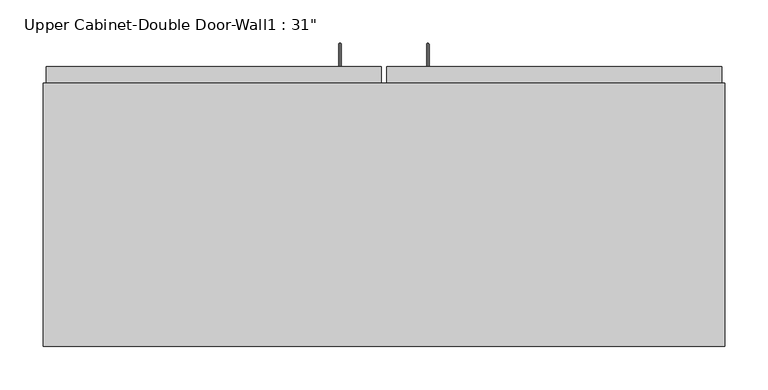
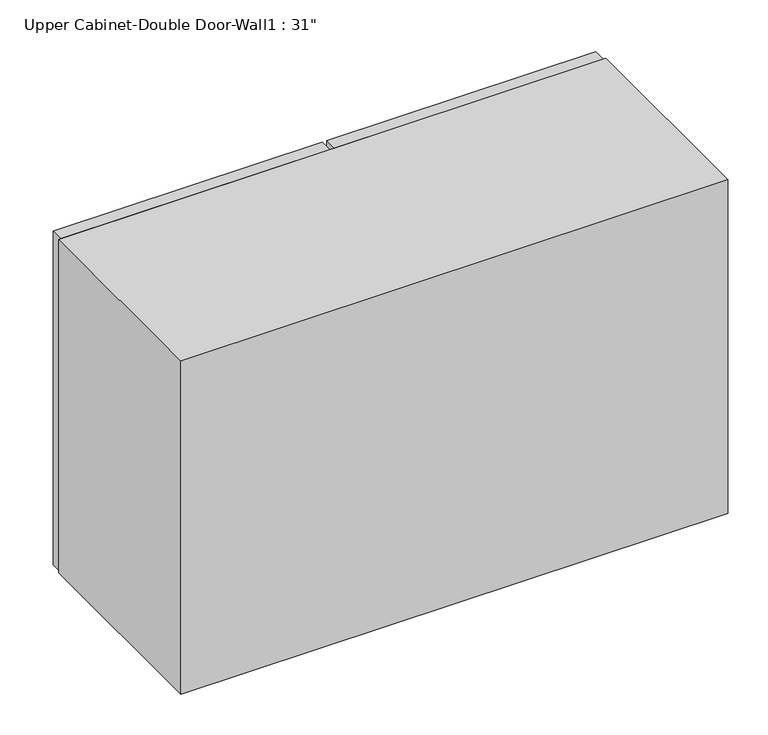
"""IFC4 building model written with IfcOpenShell, lengths in millimetres: furniture geometry."""

from ifc_helpers import new_model, si_unit, frame, origin, place, context, project, spatial, polyline, circle_curve, ellipse_curve, outline, extrude, faceted_brep, source, transform, mapped, element, save
from ifc_brep_helpers import plane_surface, cylinder_surface, advanced_brep


def furniture_97a8115e(model_context):
    return source(origin(), model_context, "Body", "SolidModel", [
        advanced_brep(
        [(80.5132081, 385.7625, 1679.575), (80.5132081, 385.7625, 1676.4), (80.5132081, 409.575, 1679.575), (80.5132081, 412.75, 1676.4), (80.5132081, 409.575, 1724.025), (80.5132081, 412.75, 1727.2), (80.5132081, 385.7625, 1724.025), (80.5132081, 385.7625, 1727.2)],
        [
            (0, 1, circle_curve(frame((80.5132081, 385.7625, 1677.9875), z_axis=(0.0, -1.0, 0.0), x_axis=(0.0, 0.0, -1.0)), 1.5875)),
            (1, 0, circle_curve(frame((80.5132081, 385.7625, 1677.9875), z_axis=(0.0, -1.0, 0.0), x_axis=(0.0, 0.0, -1.0)), 1.5875)),
            (0, 2),
            (2, 3, ellipse_curve(frame((80.5132081, 411.1625, 1677.9875), z_axis=(0.0, -0.7071067811865538, -0.7071067811865412), x_axis=(0.0, -0.7071067811865412, 0.7071067811865538)), 2.245064, 1.5875)),
            (3, 1),
            (3, 2, ellipse_curve(frame((80.5132081, 411.1625, 1677.9875), z_axis=(0.0, -0.7071067811865538, -0.7071067811865412), x_axis=(0.0, -0.7071067811865412, 0.7071067811865538)), 2.245064, 1.5875)),
            (2, 4),
            (4, 5, ellipse_curve(frame((80.5132081, 411.1625, 1725.6125), z_axis=(0.0, 0.7071067811865412, -0.7071067811865538), x_axis=(0.0, -0.7071067811865538, -0.7071067811865412)), 2.245064, 1.5875)),
            (5, 3),
            (5, 4, ellipse_curve(frame((80.5132081, 411.1625, 1725.6125), z_axis=(0.0, 0.7071067811865412, -0.7071067811865538), x_axis=(0.0, -0.7071067811865538, -0.7071067811865412)), 2.245064, 1.5875)),
            (6, 7, circle_curve(frame((80.5132081, 385.7625, 1725.6125), z_axis=(0.0, -1.0, 0.0), x_axis=(0.0, 0.0, 1.0)), 1.5875)),
            (7, 6, circle_curve(frame((80.5132081, 385.7625, 1725.6125), z_axis=(0.0, -1.0, 0.0), x_axis=(0.0, 0.0, 1.0)), 1.5875)),
            (4, 6),
            (7, 5),
        ],
        [
            plane_surface(frame((80.5132081, 385.7625, 1677.9875), z_axis=(0.0, -1.0, 0.0), x_axis=(-1.0, 0.0, 0.0))),
            cylinder_surface(frame((80.5132081, 385.7625, 1677.9875), z_axis=(0.0, -1.0, 0.0), x_axis=(0.0, 0.0, -1.0)), 1.5875),
            cylinder_surface(frame((80.5132081, 411.1625, 1677.9875), z_axis=(0.0, 0.0, -1.0), x_axis=(0.0, 1.0, 0.0)), 1.5875),
            plane_surface(frame((80.5132081, 385.7625, 1725.6125), z_axis=(0.0, -1.0, 0.0), x_axis=(-1.0, 0.0, 0.0))),
            cylinder_surface(frame((80.5132081, 411.1625, 1725.6125), z_axis=(0.0, 1.0, 0.0), x_axis=(0.0, 0.0, 1.0)), 1.5875),
        ],
        [
            (0, [[1, 2]]),
            (1, [[-1, 3, 4, 5]]),
            (1, [[-2, -5, 6, -3]]),
            (2, [[-4, 7, 8, 9]]),
            (2, [[-6, -9, 10, -7]]),
            (3, [[11, 12]]),
            (4, [[-8, 13, -12, 14]]),
            (4, [[-10, -14, -11, -13]]),
        ],
    ),
        advanced_brep(
        [(-21.0867919, 385.7625, 1679.575), (-21.0867919, 385.7625, 1676.4), (-21.0867919, 409.575, 1679.575), (-21.0867919, 412.75, 1676.4), (-21.0867919, 409.575, 1724.025), (-21.0867919, 412.75, 1727.2), (-21.0867919, 385.7625, 1724.025), (-21.0867919, 385.7625, 1727.2)],
        [
            (0, 1, circle_curve(frame((-21.0867919, 385.7625, 1677.9875), z_axis=(0.0, -1.0, 0.0), x_axis=(0.0, 0.0, -1.0)), 1.5875)),
            (1, 0, circle_curve(frame((-21.0867919, 385.7625, 1677.9875), z_axis=(0.0, -1.0, 0.0), x_axis=(0.0, 0.0, -1.0)), 1.5875)),
            (0, 2),
            (2, 3, ellipse_curve(frame((-21.0867919, 411.1625, 1677.9875), z_axis=(0.0, -0.7071067811865533, -0.7071067811865417), x_axis=(0.0, -0.7071067811865417, 0.7071067811865533)), 2.245064, 1.5875)),
            (3, 1),
            (3, 2, ellipse_curve(frame((-21.0867919, 411.1625, 1677.9875), z_axis=(0.0, -0.7071067811865533, -0.7071067811865417), x_axis=(0.0, -0.7071067811865417, 0.7071067811865533)), 2.245064, 1.5875)),
            (2, 4),
            (4, 5, ellipse_curve(frame((-21.0867919, 411.1625, 1725.6125), z_axis=(0.0, 0.7071067811865418, -0.7071067811865531), x_axis=(0.0, -0.707106781186553, -0.7071067811865419)), 2.245064, 1.5875)),
            (5, 3),
            (5, 4, ellipse_curve(frame((-21.0867919, 411.1625, 1725.6125), z_axis=(0.0, 0.7071067811865418, -0.7071067811865531), x_axis=(0.0, -0.707106781186553, -0.7071067811865419)), 2.245064, 1.5875)),
            (6, 7, circle_curve(frame((-21.0867919, 385.7625, 1725.6125), z_axis=(0.0, -1.0, 0.0), x_axis=(0.0, 0.0, 1.0)), 1.5875)),
            (7, 6, circle_curve(frame((-21.0867919, 385.7625, 1725.6125), z_axis=(0.0, -1.0, 0.0), x_axis=(0.0, 0.0, 1.0)), 1.5875)),
            (4, 6),
            (7, 5),
        ],
        [
            plane_surface(frame((-21.0867919, 385.7625, 1677.9875), z_axis=(0.0, -1.0, 0.0), x_axis=(-1.0, 0.0, 0.0))),
            cylinder_surface(frame((-21.0867919, 385.7625, 1677.9875), z_axis=(0.0, -1.0, 0.0), x_axis=(0.0, 0.0, -1.0)), 1.5875),
            cylinder_surface(frame((-21.0867919, 411.1625, 1677.9875), z_axis=(0.0, 0.0, -1.0), x_axis=(0.0, 1.0, 0.0)), 1.5875),
            plane_surface(frame((-21.0867919, 385.7625, 1725.6125), z_axis=(0.0, -1.0, 0.0), x_axis=(-1.0, 0.0, 0.0))),
            cylinder_surface(frame((-21.0867919, 411.1625, 1725.6125), z_axis=(0.0, 1.0, 0.0), x_axis=(0.0, 0.0, 1.0)), 1.5875),
        ],
        [
            (0, [[1, 2]]),
            (1, [[-1, 3, 4, 5]]),
            (1, [[-2, -5, 6, -3]]),
            (2, [[-4, 7, 8, 9]]),
            (2, [[-6, -9, 10, -7]]),
            (3, [[11, 12]]),
            (4, [[-8, 13, -12, 14]]),
            (4, [[-10, -14, -11, -13]]),
        ],
    ),
        faceted_brep([(-363.9288372, 61.9125, 2133.6), (-363.9288372, 61.9125, 1625.6), (423.4711628, 61.9125, 1625.6), (423.4711628, 61.9125, 2133.6), (-363.9288372, 366.7125, 2133.6), (423.4711628, 366.7125, 2133.6), (423.4711628, 366.7125, 1625.6), (-363.9288372, 366.7125, 1625.6), (404.4211628, 366.7125, 2114.55), (55.1711628, 366.7125, 2114.55), (55.1711628, 366.7125, 1644.65), (404.4211628, 366.7125, 1644.65), (-344.8788372, 366.7125, 2114.55), (-344.8788372, 366.7125, 1644.65), (4.3711628, 366.7125, 1644.65), (4.3711628, 366.7125, 2114.55), (-344.8788372, 80.9625, 2114.55), (4.3711628, 347.6625, 2114.55), (55.1711628, 347.6625, 2114.55), (404.4211628, 80.9625, 2114.55), (404.4211628, 80.9625, 1644.65), (55.1711628, 347.6625, 1644.65), (4.3711628, 347.6625, 1644.65), (-344.8788372, 80.9625, 1644.65)], [[[0, 1, 2, 3]], [[4, 5, 6, 7], [8, 9, 10, 11], [12, 13, 14, 15]], [[1, 0, 4, 7]], [[2, 1, 7, 6]], [[3, 2, 6, 5]], [[0, 3, 5, 4]], [[16, 12, 15, 17, 18, 9, 8, 19]], [[8, 11, 20, 19]], [[20, 11, 10, 21, 22, 14, 13, 23]], [[13, 12, 16, 23]], [[16, 19, 20, 23]], [[18, 21, 10, 9]], [[15, 14, 22, 17]], [[21, 18, 17, 22]]]),
        extrude(outline(polyline([(32.9461628, 385.7625), (420.2961628, 385.7625), (420.2961628, 366.7125), (32.9461628, 366.7125), (32.9461628, 385.7625)])), frame((0.0, 0.0, 1625.6), z_axis=(0.0, 0.0, 1.0), x_axis=(1.0, 0.0, 0.0)), (0.0, 0.0, 1.0), 508.0),
        extrude(outline(polyline([(-360.7538372, 385.7625), (26.5961628, 385.7625), (26.5961628, 366.7125), (-360.7538372, 366.7125), (-360.7538372, 385.7625)])), frame((0.0, 0.0, 1625.6), z_axis=(0.0, 0.0, 1.0), x_axis=(1.0, 0.0, 0.0)), (0.0, 0.0, 1.0), 508.0),
        extrude(outline(polyline([(404.4211628, 347.6625), (404.4211628, 80.9625), (-344.8788372, 80.9625), (-344.8788372, 347.6625), (404.4211628, 347.6625)])), frame((0.0, 0.0, 1951.0326388), z_axis=(0.0, 0.0, 1.0), x_axis=(1.0, 0.0, 0.0)), (0.0, 0.0, 1.0), 12.7),
        extrude(outline(polyline([(404.4211628, 347.6625), (404.4211628, 80.9625), (-344.8788372, 80.9625), (-344.8788372, 347.6625), (404.4211628, 347.6625)])), frame((0.0, 0.0, 1773.2326388), z_axis=(0.0, 0.0, 1.0), x_axis=(1.0, 0.0, 0.0)), (0.0, 0.0, 1.0), 12.7),
        extrude(outline(polyline([(404.4211628, 347.6625), (404.4211628, 80.9625), (-344.8788372, 80.9625), (-344.8788372, 347.6625), (404.4211628, 347.6625)])), frame((0.0, 0.0, 1849.4326388), z_axis=(0.0, 0.0, 1.0), x_axis=(1.0, 0.0, 0.0)), (0.0, 0.0, 1.0), 12.7),
    ])


if __name__ == "__main__":
    model = new_model("IFC4")
    model_context = context("Model", 3, world=origin())
    ifc_project = project(units=[si_unit("LENGTHUNIT", "METRE", prefix="MILLI")], contexts=[model_context])
    site = spatial("IfcSite", under=ifc_project)
    building = spatial("IfcBuilding", under=site)
    placement = place(None, origin())
    furniture_shape = furniture_97a8115e(model_context)
    element("IfcFurniture", 1, ObjectType="Upper Cabinet-Double Door-Wall1 : 31\"", at=placement, inside=building, context=model_context, shape_type="MappedRepresentation", body=[
        mapped(furniture_shape, transform((0.0, 0.0, 0.0), x_axis=(1.0, 0.0, 0.0), y_axis=(0.0, 1.0, 0.0), z_axis=(0.0, 0.0, 1.0))),
    ])
    save(model, "model.ifc")
